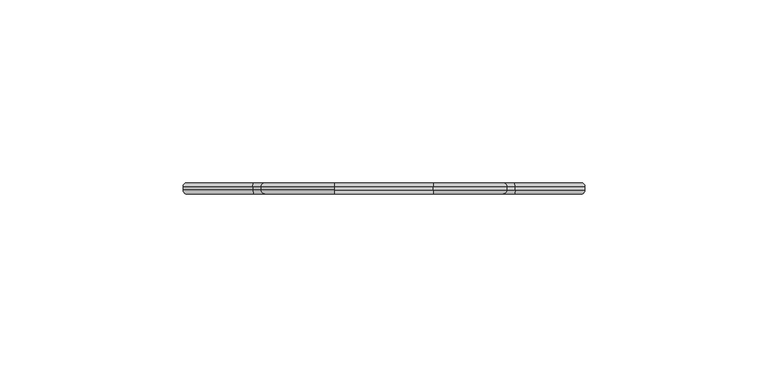
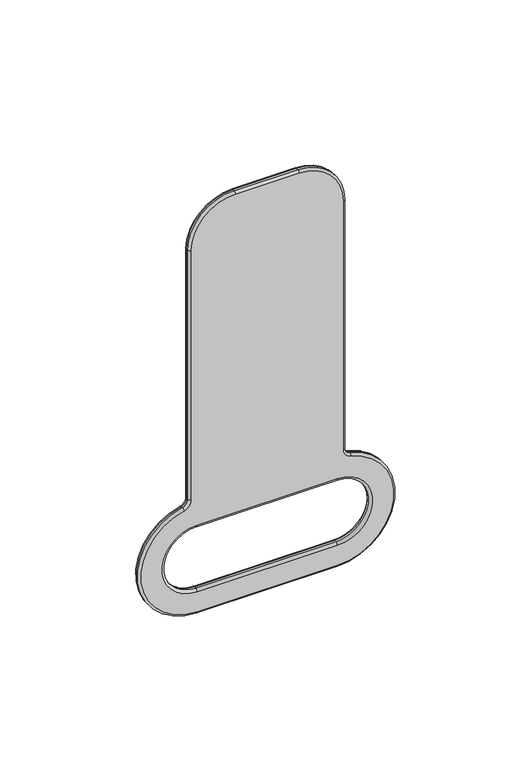
"""IFC4 building model written with IfcOpenShell, lengths in millimetres: proxy geometry."""

from ifc_helpers import new_model, si_unit, point, frame, origin, place, context, project, spatial, polyline, circle_curve, ellipse_curve, trimmed, source, transform, mapped, element, save
from ifc_brep_helpers import plane_surface, cylinder_surface, revolved_surface, advanced_brep


def generic_models_a31019a7(model_context):
    return source(origin(), model_context, "Body", "AdvancedBrep", [
        advanced_brep(
        [(-30.0, 0.0, -145.0), (-30.0, 1.0, -146.0), (30.0, 1.0, -146.0), (30.0, 0.0, -145.0), (30.0, 1.0, -174.0), (30.0, 0.0, -175.0), (-30.0, 1.0, -174.0), (-30.0, 0.0, -175.0), (30.0, 2.0, -146.0), (30.0, 2.0, -174.0), (-30.0, 2.0, -146.0), (13.5, 0.0, -1.0), (-13.5, 0.0, -1.0), (-32.5, 0.0, -20.0), (-32.5, 0.0, -132.7649123), (-35.5714286, 0.0, -136.6556391), (-30.0, 0.0, -184.0), (30.0, 0.0, -184.0), (35.5714286, 0.0, -136.6556391), (32.5, 0.0, -132.7649123), (32.5, 0.0, -20.0), (30.0, 3.0, -145.0), (-30.0, 3.0, -145.0), (-30.0, 2.0, -174.0), (-30.0, 3.0, -175.0), (30.0, 3.0, -175.0), (-13.5, 3.0, -1.0), (13.5, 3.0, -1.0), (32.5, 3.0, -20.0), (32.5, 3.0, -132.7649123), (35.5714286, 3.0, -136.6556391), (30.0, 3.0, -184.0), (-30.0, 3.0, -184.0), (-35.5714286, 3.0, -136.6556391), (-32.5, 3.0, -132.7649123), (-32.5, 3.0, -20.0), (13.5, 2.0, 0.0), (-13.5, 2.0, 0.0), (-33.5, 2.0, -20.0), (-33.5, 2.0, -132.7649123), (-35.8035714, 2.0, -135.6829574), (-30.0, 2.0, -185.0), (30.0, 2.0, -185.0), (35.8035714, 2.0, -135.6829574), (33.5, 2.0, -132.7649123), (33.5, 2.0, -20.0), (35.8035714, 1.0, -135.6829574), (30.0, 1.0, -185.0), (33.5, 1.0, -132.7649123), (33.5, 1.0, -20.0), (13.5, 1.0, 0.0), (-13.5, 1.0, 0.0), (-30.0, 1.0, -185.0), (-35.8035714, 1.0, -135.6829574), (-33.5, 1.0, -132.7649123), (-33.5, 1.0, -20.0)],
        [
            (0, 1, circle_curve(frame((-30.0, 1.0, -145.0), z_axis=(1.0, 0.0, 0.0), x_axis=(0.0, -0.7071067811865425, -0.7071067811865526)), 1.0)),
            (1, 2),
            (2, 3, circle_curve(frame((30.0, 1.0, -145.0), z_axis=(-1.0, 0.0, 0.0), x_axis=(0.0, -0.7071067811865425, -0.7071067811865526)), 1.0)),
            (3, 0),
            (4, 5, circle_curve(frame((30.0, 1.0, -175.0), z_axis=(1.0, 0.0, 0.0), x_axis=(0.0, 0.0, -1.0)), 1.0)),
            (5, 3, circle_curve(frame((30.0, 0.0, -160.0), z_axis=(0.0, -1.0, 0.0), x_axis=(0.0, 0.0, 1.0)), 15.0)),
            (2, 4, circle_curve(frame((30.0, 1.0, -160.0), z_axis=(0.0, 1.0, 0.0), x_axis=(0.0, 0.0, 1.0)), 14.0)),
            (6, 7, circle_curve(frame((-30.0, 1.0, -175.0), z_axis=(1.0, 0.0, 0.0), x_axis=(0.0, -0.7071067811865425, 0.7071067811865526)), 1.0)),
            (7, 5),
            (4, 6),
            (0, 7, circle_curve(frame((-30.0, 0.0, -160.0), z_axis=(0.0, -1.0, 0.0), x_axis=(0.0, 0.0, -1.0)), 15.0)),
            (6, 1, circle_curve(frame((-30.0, 1.0, -160.0), z_axis=(0.0, 1.0, 0.0), x_axis=(0.0, 0.0, -1.0)), 14.0)),
            (2, 8),
            (8, 9, circle_curve(frame((30.0, 2.0, -160.0), z_axis=(0.0, 1.0, 0.0), x_axis=(0.0, 0.0, 1.0)), 14.0)),
            (9, 4),
            (1, 10),
            (10, 8),
            (11, 12),
            (12, 13, circle_curve(frame((-13.5, 0.0, -20.0), z_axis=(0.0, -1.0, 0.0), x_axis=(-1.0, 0.0, 0.0)), 19.0)),
            (13, 14),
            (14, 15, circle_curve(frame((-36.5, 0.0, -132.7649123), z_axis=(0.0, 1.0, 0.0), x_axis=(0.23214285714285715, 0.0, -0.9726817022425943)), 4.0)),
            (15, 16, circle_curve(frame((-30.0, 0.0, -160.0), z_axis=(0.0, -1.0, 0.0), x_axis=(0.0, 0.0, -1.0)), 24.0)),
            (16, 17),
            (17, 18, circle_curve(frame((30.0, 0.0, -160.0), z_axis=(0.0, -1.0, 0.0), x_axis=(0.23214285714285732, 0.0, 0.9726817022425943)), 24.0)),
            (18, 19, circle_curve(frame((36.5, 0.0, -132.7649123), z_axis=(0.0, 1.0, 0.0), x_axis=(-1.0, 0.0, 0.0)), 4.0)),
            (19, 20),
            (20, 11, circle_curve(frame((13.5, 0.0, -20.0), z_axis=(0.0, -1.0, 0.0), x_axis=(0.0, 0.0, 1.0)), 19.0)),
            (21, 8, circle_curve(frame((30.0, 2.0, -145.0), z_axis=(-1.0, 0.0, 0.0), x_axis=(0.0, 0.7071067811865424, -0.7071067811865527)), 1.0)),
            (10, 22, circle_curve(frame((-30.0, 2.0, -145.0), z_axis=(1.0, 0.0, 0.0), x_axis=(0.0, 0.7071067811865424, -0.7071067811865527)), 1.0)),
            (22, 21),
            (23, 24, circle_curve(frame((-30.0, 2.0, -175.0), z_axis=(-1.0, 0.0, 0.0), x_axis=(0.0, 0.0, -1.0)), 1.0)),
            (24, 22, circle_curve(frame((-30.0, 3.0, -160.0), z_axis=(0.0, 1.0, 0.0), x_axis=(0.0, 0.0, 1.0)), 15.0)),
            (10, 23, circle_curve(frame((-30.0, 2.0, -160.0), z_axis=(0.0, -1.0, 0.0), x_axis=(0.0, 0.0, 1.0)), 14.0)),
            (9, 25, circle_curve(frame((30.0, 2.0, -175.0), z_axis=(-1.0, 0.0, 0.0), x_axis=(0.0, 0.7071067811865424, 0.7071067811865527)), 1.0)),
            (25, 24),
            (23, 9),
            (21, 25, circle_curve(frame((30.0, 3.0, -160.0), z_axis=(0.0, 1.0, 0.0), x_axis=(0.0, 0.0, -1.0)), 15.0)),
            (6, 23),
            (26, 27),
            (27, 28, circle_curve(frame((13.5, 3.0, -20.0), z_axis=(0.0, 1.0, 0.0), x_axis=(1.0, 0.0, 0.0)), 19.0)),
            (28, 29),
            (29, 30, circle_curve(frame((36.5, 3.0, -132.7649123), z_axis=(0.0, -1.0, 0.0), x_axis=(-0.2321428571428548, 0.0, -0.972681702242595)), 4.0)),
            (30, 31, circle_curve(frame((30.0, 3.0, -160.0), z_axis=(0.0, 1.0, 0.0), x_axis=(0.0, 0.0, -1.0)), 24.0)),
            (31, 32),
            (32, 33, circle_curve(frame((-30.0, 3.0, -160.0), z_axis=(0.0, 1.0, 0.0), x_axis=(-0.23214285714285718, 0.0, 0.9726817022425943)), 24.0)),
            (33, 34, circle_curve(frame((-36.5, 3.0, -132.7649123), z_axis=(0.0, -1.0, 0.0), x_axis=(1.0, 0.0, 0.0)), 4.0)),
            (34, 35),
            (35, 26, circle_curve(frame((-13.5, 3.0, -20.0), z_axis=(0.0, 1.0, 0.0), x_axis=(0.0, 0.0, 1.0)), 19.0)),
            (36, 27, circle_curve(frame((13.5, 2.0, -1.0), z_axis=(-1.0, 0.0, 0.0), x_axis=(0.0, 0.7071067811865492, 0.7071067811865457)), 1.0)),
            (26, 37, circle_curve(frame((-13.5, 2.0, -1.0), z_axis=(1.0, 0.0, 0.0), x_axis=(0.0, 0.7071067811865492, 0.7071067811865457)), 1.0)),
            (37, 36),
            (35, 38, circle_curve(frame((-32.5, 2.0, -20.0), z_axis=(0.0, 0.0, 1.0), x_axis=(-1.0, 0.0, 0.0)), 1.0)),
            (38, 37, circle_curve(frame((-13.5, 2.0, -20.0), z_axis=(0.0, 1.0, 0.0), x_axis=(0.0, 0.0, 1.0)), 20.0)),
            (34, 39, circle_curve(frame((-32.5, 2.0, -132.7649123), z_axis=(0.0, 0.0, 1.0), x_axis=(-0.7071067811865461, 0.7071067811865489, 0.0)), 1.0)),
            (39, 38),
            (33, 40, circle_curve(frame((-35.5714286, 2.0, -136.6556391), z_axis=(0.9726817022425934, 0.0, 0.23214285714286104), x_axis=(0.23214285714286104, 0.0, -0.9726817022425934)), 1.0)),
            (40, 39, circle_curve(frame((-36.5, 2.0, -132.7649123), z_axis=(0.0, -1.0, 0.0), x_axis=(1.0, 0.0, 0.0)), 3.0)),
            (32, 41, circle_curve(frame((-30.0, 2.0, -184.0), z_axis=(-1.0, 0.0, 0.0), x_axis=(0.0, 0.0, -1.0)), 1.0)),
            (41, 40, circle_curve(frame((-30.0, 2.0, -160.0), z_axis=(0.0, 1.0, 0.0), x_axis=(-0.23214285714285718, 0.0, 0.9726817022425943)), 25.0)),
            (31, 42, circle_curve(frame((30.0, 2.0, -184.0), z_axis=(-1.0, 0.0, 0.0), x_axis=(0.0, 0.7071067811865426, -0.7071067811865525)), 1.0)),
            (42, 41),
            (30, 43, circle_curve(frame((35.5714286, 2.0, -136.6556391), z_axis=(0.972681702242594, 0.0, -0.23214285714285843), x_axis=(0.23214285714285843, 0.0, 0.972681702242594)), 1.0)),
            (43, 42, circle_curve(frame((30.0, 2.0, -160.0), z_axis=(0.0, 1.0, 0.0), x_axis=(0.0, 0.0, -1.0)), 25.0)),
            (29, 44, circle_curve(frame((32.5, 2.0, -132.7649123), z_axis=(0.0, 0.0, -1.0), x_axis=(-1.0, 0.0, 0.0)), 1.0)),
            (44, 43, circle_curve(frame((36.5, 2.0, -132.7649123), z_axis=(0.0, -1.0, 0.0), x_axis=(-0.2321428571428548, 0.0, -0.972681702242595)), 3.0)),
            (28, 45, circle_curve(frame((32.5, 2.0, -20.0), z_axis=(0.0, 0.0, -1.0), x_axis=(0.7071067811865461, 0.7071067811865489, 0.0)), 1.0)),
            (45, 44),
            (36, 45, circle_curve(frame((13.5, 2.0, -20.0), z_axis=(0.0, 1.0, 0.0), x_axis=(1.0, 0.0, 0.0)), 20.0)),
            (43, 46),
            (46, 47, circle_curve(frame((30.0, 1.0, -160.0), z_axis=(0.0, 1.0, 0.0), x_axis=(0.2321428571428576, 0.0, 0.9726817022425943)), 25.0)),
            (47, 42),
            (44, 48),
            (48, 46, circle_curve(frame((36.5, 1.0, -132.7649123), z_axis=(0.0, -1.0, 0.0), x_axis=(0.23214285714285884, 0.0, 0.9726817022425941)), 3.0)),
            (45, 49),
            (49, 48),
            (36, 50),
            (50, 49, circle_curve(frame((13.5, 1.0, -20.0), z_axis=(0.0, 1.0, 0.0), x_axis=(0.0, 0.0, 1.0)), 20.0)),
            (37, 51),
            (51, 50),
            (51, 12, circle_curve(frame((-13.5, 1.0, -1.0), z_axis=(1.0, 0.0, 0.0), x_axis=(0.0, -0.7071067811865492, 0.7071067811865458)), 1.0)),
            (11, 50, circle_curve(frame((13.5, 1.0, -1.0), z_axis=(-1.0, 0.0, 0.0), x_axis=(0.0, -0.7071067811865492, 0.7071067811865458)), 1.0)),
            (20, 49, circle_curve(frame((32.5, 1.0, -20.0), z_axis=(0.0, 0.0, 1.0), x_axis=(1.0, 0.0, 0.0)), 1.0)),
            (19, 48, circle_curve(frame((32.5, 1.0, -132.7649123), z_axis=(0.0, 0.0, 1.0), x_axis=(0.7071067811865462, -0.7071067811865487, 0.0)), 1.0)),
            (18, 46, circle_curve(frame((35.5714286, 1.0, -136.6556391), z_axis=(-0.9726817022425941, 0.0, 0.23214285714285812), x_axis=(-0.23214285714285812, 0.0, -0.9726817022425941)), 1.0)),
            (17, 47, circle_curve(frame((30.0, 1.0, -184.0), z_axis=(1.0, 0.0, 0.0), x_axis=(0.0, 0.0, -1.0)), 1.0)),
            (16, 52, circle_curve(frame((-30.0, 1.0, -184.0), z_axis=(1.0, 0.0, 0.0), x_axis=(0.0, -0.7071067811865425, -0.7071067811865526)), 1.0)),
            (52, 47),
            (15, 53, circle_curve(frame((-35.5714286, 1.0, -136.6556391), z_axis=(-0.9726817022425945, 0.0, -0.2321428571428564), x_axis=(-0.2321428571428564, 0.0, 0.9726817022425945)), 1.0)),
            (53, 52, circle_curve(frame((-30.0, 1.0, -160.0), z_axis=(0.0, -1.0, 0.0), x_axis=(0.0, 0.0, -1.0)), 25.0)),
            (14, 54, circle_curve(frame((-32.5, 1.0, -132.7649123), z_axis=(0.0, 0.0, -0.9999999999999999), x_axis=(0.9999999999999999, 0.0, 0.0)), 1.0)),
            (54, 53, circle_curve(frame((-36.5, 1.0, -132.7649123), z_axis=(0.0, 1.0, 0.0), x_axis=(0.23214285714285715, 0.0, -0.9726817022425943)), 3.0)),
            (13, 55, circle_curve(frame((-32.5, 1.0, -20.0), z_axis=(0.0, 0.0, -1.0), x_axis=(-0.7071067811865462, -0.7071067811865487, 0.0)), 1.0)),
            (55, 54),
            (51, 55, circle_curve(frame((-13.5, 1.0, -20.0), z_axis=(0.0, -1.0, 0.0), x_axis=(-1.0, 0.0, 0.0)), 20.0)),
            (41, 52),
            (53, 40),
            (54, 39),
            (55, 38),
        ],
        [
            cylinder_surface(frame((-15.0, 1.0, -145.0), z_axis=(1.0, 0.0, 0.0), x_axis=(0.0, -0.7071067811865425, -0.7071067811865526)), 1.0),
            revolved_surface(trimmed(ellipse_curve(frame((30.0, 1.0, -145.0), z_axis=(-1.0, 0.0, 0.0), x_axis=(0.0, 0.0, 1.0)), 1.0, 1.0), [point((30.0, 1.0, -146.0))], [point((30.0, 0.0, -145.0))], True, "CARTESIAN"), (30.0, 1.0, -160.0), (0.0, 1.0, 0.0)),
            cylinder_surface(frame((15.0, 1.0, -175.0), z_axis=(-1.0, 0.0, 0.0), x_axis=(0.0, -0.7071067811865425, 0.7071067811865526)), 1.0),
            revolved_surface(trimmed(ellipse_curve(frame((-30.0, 1.0, -175.0), z_axis=(1.0, 0.0, 0.0), x_axis=(0.0, 0.0, -1.0)), 1.0, 1.0), [point((-30.0, 1.0, -174.0))], [point((-30.0, 0.0, -175.0))], True, "CARTESIAN"), (-30.0, 1.0, -160.0), (0.0, 1.0, 0.0)),
            revolved_surface(polyline([(30.0, 1.0, -146.0), (30.0, 2.0, -146.0)]), (30.0, 3.0, -160.0), (0.0, -1.0, 0.0)),
            plane_surface(frame((-30.0, 3.0, -146.0), z_axis=(0.0, 0.0, -1.0), x_axis=(1.0, 0.0, 0.0))),
            plane_surface(frame((0.0, 0.0, -101.0001726), z_axis=(0.0, -1.0, 0.0), x_axis=(0.0, 0.0, 1.0))),
            cylinder_surface(frame((-15.0, 2.0, -145.0), z_axis=(-1.0, 0.0, 0.0), x_axis=(0.0, 0.7071067811865424, -0.7071067811865527)), 1.0),
            revolved_surface(trimmed(ellipse_curve(frame((-30.0, 2.0, -145.0), z_axis=(1.0, 0.0, 0.0), x_axis=(0.0, 0.0, 1.0)), 1.0, 1.0), [point((-30.0, 2.0, -146.0))], [point((-30.0, 3.0, -145.0))], True, "CARTESIAN"), (-30.0, 2.0, -160.0), (0.0, -1.0, 0.0)),
            cylinder_surface(frame((15.0, 2.0, -175.0), z_axis=(1.0, 0.0, 0.0), x_axis=(0.0, 0.7071067811865424, 0.7071067811865527)), 1.0),
            revolved_surface(trimmed(ellipse_curve(frame((30.0, 2.0, -175.0), z_axis=(-1.0, 0.0, 0.0), x_axis=(0.0, 0.0, -1.0)), 1.0, 1.0), [point((30.0, 2.0, -174.0))], [point((30.0, 3.0, -175.0))], True, "CARTESIAN"), (30.0, 2.0, -160.0), (0.0, -1.0, 0.0)),
            revolved_surface(polyline([(-30.0, 1.0, -174.0), (-30.0, 2.0, -174.0)]), (-30.0, 3.0, -160.0), (0.0, -1.0, 0.0)),
            plane_surface(frame((0.0, 3.0, -101.0001726), z_axis=(0.0, 1.0, 0.0), x_axis=(0.0, 0.0, 1.0))),
            cylinder_surface(frame((6.75, 2.0, -1.0), z_axis=(-0.9999999999999998, 0.0, 0.0), x_axis=(0.0, 0.7071067811865492, 0.7071067811865457)), 1.0),
            revolved_surface(trimmed(ellipse_curve(frame((-13.5, 2.0, -1.0), z_axis=(1.0, 0.0, 0.0), x_axis=(0.0, 0.0, 1.0)), 1.0, 1.0), [point((-13.5, 3.0, -1.0))], [point((-13.5, 2.0, 0.0))], True, "CARTESIAN"), (-13.5, 2.0, -20.0), (0.0, -1.0, 0.0)),
            cylinder_surface(frame((-32.5, 2.0, -60.5000863), z_axis=(0.0, 0.0, -1.0), x_axis=(-0.7071067811865461, 0.7071067811865489, 0.0)), 1.0),
            revolved_surface(trimmed(ellipse_curve(frame((-32.5, 2.0, -132.7649123), z_axis=(0.0, 0.0, 1.0), x_axis=(1.0, 0.0, 0.0)), 1.0, 1.0), [point((-32.5, 3.0, -132.7649123))], [point((-33.5, 2.0, -132.7649123))], True, "CARTESIAN"), (-36.5, 2.0, -132.7649123), (0.0, 1.0, 0.0)),
            revolved_surface(trimmed(ellipse_curve(frame((-35.5714286, 2.0, -136.6556391), z_axis=(0.9726817022425943, 0.0, 0.23214285714285726), x_axis=(-0.23214285714285726, 0.0, 0.9726817022425943)), 1.0, 1.0), [point((-35.5714286, 3.0, -136.6556391))], [point((-35.8035714, 2.0, -135.6829574))], True, "CARTESIAN"), (-30.0, 2.0, -160.0), (0.0, -1.0, 0.0)),
            cylinder_surface(frame((-15.0, 2.0, -184.0), z_axis=(1.0, 0.0, 0.0), x_axis=(0.0, 0.7071067811865426, -0.7071067811865525)), 1.0),
            revolved_surface(trimmed(ellipse_curve(frame((30.0, 2.0, -184.0), z_axis=(-1.0, 0.0, 0.0), x_axis=(0.0, 0.0, -1.0)), 1.0, 1.0), [point((30.0, 3.0, -184.0))], [point((30.0, 2.0, -185.0))], True, "CARTESIAN"), (30.0, 2.0, -160.0), (0.0, -1.0, 0.0)),
            revolved_surface(trimmed(ellipse_curve(frame((35.5714286, 2.0, -136.6556391), z_axis=(0.9726817022425942, 0.0, -0.23214285714285787), x_axis=(-0.23214285714285787, 0.0, -0.9726817022425942)), 1.0, 1.0), [point((35.5714286, 3.0, -136.6556391))], [point((35.8035714, 2.0, -135.6829574))], True, "CARTESIAN"), (36.5, 2.0, -132.7649123), (0.0, 1.0, 0.0)),
            cylinder_surface(frame((32.5, 2.0, -116.8825425), z_axis=(0.0, 0.0, 1.0), x_axis=(0.7071067811865461, 0.7071067811865489, 0.0)), 1.0),
            revolved_surface(trimmed(ellipse_curve(frame((32.5, 2.0, -20.0), z_axis=(0.0, 0.0, -1.0), x_axis=(1.0, 0.0, 0.0)), 1.0, 1.0), [point((32.5, 3.0, -20.0))], [point((33.5, 2.0, -20.0))], True, "CARTESIAN"), (13.5, 2.0, -20.0), (0.0, -1.0, 0.0)),
            cylinder_surface(frame((30.0, 0.0, -160.0), z_axis=(0.0, 1.0000000000000002, 0.0), x_axis=(0.2321428571428576, 0.0, 0.9726817022425943)), 25.0),
            revolved_surface(polyline([(37.19642857142858, 2.000000000000001, -129.8468671932722), (37.19642857142858, 1.0000000000000004, -129.8468671932722)]), (36.5, 0.0, -132.7649123), (0.0, 1.0000000000000002, 0.0)),
            plane_surface(frame((33.5, 0.0, -132.7649123), z_axis=(1.0, 0.0, 0.0), x_axis=(0.0, 0.0, -1.0))),
            cylinder_surface(frame((13.5, 0.0, -20.0), z_axis=(0.0, 1.0, 0.0), x_axis=(0.0, 0.0, 1.0)), 20.0),
            plane_surface(frame((13.5, 0.0, 0.0), z_axis=(0.0, 0.0, 1.0), x_axis=(1.0, 0.0, 0.0))),
            cylinder_surface(frame((6.75, 1.0, -1.0), z_axis=(1.0, 0.0, 0.0), x_axis=(0.0, -0.7071067811865492, 0.7071067811865458)), 1.0),
            revolved_surface(trimmed(ellipse_curve(frame((13.5, 1.0, -1.0), z_axis=(-1.0, 0.0, 0.0), x_axis=(0.0, 0.0, 1.0)), 1.0, 1.0), [point((13.5, 0.0, -1.0))], [point((13.5, 1.0, 0.0))], True, "CARTESIAN"), (13.5, 1.0, -20.0), (0.0, 1.0, 0.0)),
            cylinder_surface(frame((32.5, 1.0, -116.8825425), z_axis=(0.0, 0.0, -0.9999999999999998), x_axis=(0.7071067811865462, -0.7071067811865487, 0.0)), 1.0),
            revolved_surface(trimmed(ellipse_curve(frame((32.5, 1.0, -132.7649123), z_axis=(0.0, 0.0, 1.0), x_axis=(-1.0, 0.0, 0.0)), 1.0, 1.0), [point((32.5, 0.0, -132.7649123))], [point((33.5, 1.0, -132.7649123))], True, "CARTESIAN"), (36.5, 1.0, -132.7649123), (0.0, -1.0, 0.0)),
            revolved_surface(trimmed(ellipse_curve(frame((35.5714286, 1.0, -136.6556391), z_axis=(-0.9726817022425943, 0.0, 0.2321428571428574), x_axis=(0.2321428571428574, 0.0, 0.9726817022425943)), 1.0, 1.0), [point((35.5714286, 0.0, -136.6556391))], [point((35.8035714, 1.0, -135.6829574))], True, "CARTESIAN"), (30.0, 1.0, -160.0), (0.0, 1.0, 0.0)),
            cylinder_surface(frame((-15.0, 1.0, -184.0), z_axis=(-1.0, 0.0, 0.0), x_axis=(0.0, -0.7071067811865425, -0.7071067811865526)), 1.0),
            revolved_surface(trimmed(ellipse_curve(frame((-30.0, 1.0, -184.0), z_axis=(1.0, 0.0, 0.0), x_axis=(0.0, 0.0, -1.0)), 1.0, 1.0), [point((-30.0, 0.0, -184.0))], [point((-30.0, 1.0, -185.0))], True, "CARTESIAN"), (-30.0, 1.0, -160.0), (0.0, 1.0, 0.0)),
            revolved_surface(trimmed(ellipse_curve(frame((-35.5714286, 1.0, -136.6556391), z_axis=(-0.9726817022425944, 0.0, -0.2321428571428567), x_axis=(0.2321428571428567, 0.0, -0.9726817022425944)), 1.0, 1.0), [point((-35.5714286, 0.0, -136.6556391))], [point((-35.8035714, 1.0, -135.6829574))], True, "CARTESIAN"), (-36.5, 1.0, -132.7649123), (0.0, -1.0, 0.0)),
            cylinder_surface(frame((-32.5, 1.0, -60.5000863), z_axis=(0.0, 0.0, 0.9999999999999998), x_axis=(-0.7071067811865462, -0.7071067811865487, 0.0)), 1.0),
            revolved_surface(trimmed(ellipse_curve(frame((-32.5, 1.0, -20.0), z_axis=(0.0, 0.0, -1.0), x_axis=(-1.0, 0.0, 0.0)), 1.0, 1.0), [point((-32.5, 0.0, -20.0))], [point((-33.5, 1.0, -20.0))], True, "CARTESIAN"), (-13.5, 1.0, -20.0), (0.0, 1.0, 0.0)),
            cylinder_surface(frame((-30.0, 0.0, -160.0), z_axis=(0.0, 1.0, 0.0), x_axis=(0.0, 0.0, -1.0)), 25.0),
            revolved_surface(polyline([(-39.5, 2.0, -132.7649123), (-39.5, 1.0, -132.7649123)]), (-36.5, 0.0, -132.7649123), (0.0, 1.0, 0.0)),
            plane_surface(frame((-33.5, 0.0, -20.0), z_axis=(-1.0, 0.0, 0.0), x_axis=(0.0, 0.0, 1.0))),
            cylinder_surface(frame((-13.5, 0.0, -20.0), z_axis=(0.0, 1.0, 0.0), x_axis=(-1.0, 0.0, 0.0)), 20.0),
            plane_surface(frame((30.0, 3.0, -174.0), z_axis=(0.0, 0.0, 1.0), x_axis=(-1.0, 0.0, 0.0))),
            plane_surface(frame((-30.0, 0.0, -185.0), z_axis=(0.0, 0.0, -1.0), x_axis=(-1.0, 0.0, 0.0))),
        ],
        [
            (0, [[1, 2, 3, 4]]),
            (1, [[5, 6, -3, 7]]),
            (2, [[8, 9, -5, 10]]),
            (3, [[-1, 11, -8, 12]]),
            (4, [[-7, 13, 14, 15]]),
            (5, [[-2, 16, 17, -13]]),
            (6, [[18, 19, 20, 21, 22, 23, 24, 25, 26, 27], [-4, -6, -9, -11]]),
            (7, [[28, -17, 29, 30]]),
            (8, [[31, 32, -29, 33]]),
            (9, [[34, 35, -31, 36]]),
            (10, [[-28, 37, -34, -14]]),
            (11, [[-12, 38, -33, -16]]),
            (12, [[39, 40, 41, 42, 43, 44, 45, 46, 47, 48], [-30, -32, -35, -37]]),
            (13, [[49, -39, 50, 51]]),
            (14, [[52, 53, -50, -48]]),
            (15, [[54, 55, -52, -47]]),
            (16, [[56, 57, -54, -46]]),
            (17, [[58, 59, -56, -45]]),
            (18, [[60, 61, -58, -44]]),
            (19, [[62, 63, -60, -43]]),
            (20, [[64, 65, -62, -42]]),
            (21, [[66, 67, -64, -41]]),
            (22, [[-49, 68, -66, -40]]),
            (23, [[-63, 69, 70, 71]]),
            (24, [[-65, 72, 73, -69]]),
            (25, [[-67, 74, 75, -72]]),
            (26, [[-68, 76, 77, -74]]),
            (27, [[-51, 78, 79, -76]]),
            (28, [[80, -18, 81, -79]]),
            (29, [[82, -77, -81, -27]]),
            (30, [[83, -75, -82, -26]]),
            (31, [[84, -73, -83, -25]]),
            (32, [[85, -70, -84, -24]]),
            (33, [[86, 87, -85, -23]]),
            (34, [[88, 89, -86, -22]]),
            (35, [[90, 91, -88, -21]]),
            (36, [[92, 93, -90, -20]]),
            (37, [[-80, 94, -92, -19]]),
            (38, [[-59, 95, -89, 96]]),
            (39, [[-57, -96, -91, 97]]),
            (40, [[-55, -97, -93, 98]]),
            (41, [[-53, -98, -94, -78]]),
            (42, [[-10, -15, -36, -38]]),
            (43, [[-61, -71, -87, -95]]),
        ],
    ),
    ])


if __name__ == "__main__":
    model = new_model("IFC4")
    model_context = context("Model", 3, world=origin())
    ifc_project = project(units=[si_unit("LENGTHUNIT", "METRE", prefix="MILLI")], contexts=[model_context])
    site = spatial("IfcSite", under=ifc_project)
    building = spatial("IfcBuilding", under=site)
    placement = place(None, origin())
    generic_models_shape = generic_models_a31019a7(model_context)
    element("IfcBuildingElementProxy", 1, Name="Generic Models", at=placement, inside=building, context=model_context, shape_type="MappedRepresentation", body=[
        mapped(generic_models_shape, transform((0.0, 0.0, 0.0), x_axis=(1.0, 0.0, 0.0), y_axis=(0.0, 1.0, 0.0), z_axis=(0.0, 0.0, 1.0))),
    ])
    save(model, "model.ifc")
